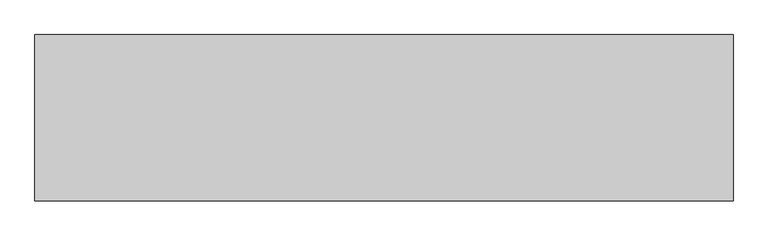
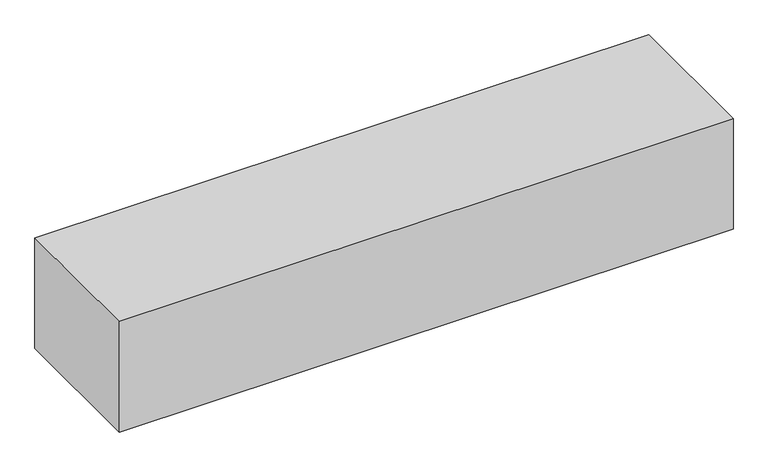
"""IFC4 building model written with IfcOpenShell, lengths in millimetres: geographic element geometry."""

from ifc_helpers import new_model, si_unit, origin, origin_with_axes, place, context, project, spatial, polyline, outline, extrude, source, transform, mapped, element, save


def geographic_element_e046077a(model_context):
    return source(origin(), model_context, "Body", "SweptSolid", [
        extrude(outline(polyline([(0.0, 0.0), (0.0, 500.0), (2100.0, 500.0), (2100.0, 0.0), (0.0, 0.0)])), origin_with_axes(), (0.0, 0.0, 1.0), 400.0),
    ])


if __name__ == "__main__":
    model = new_model("IFC4")
    model_context = context("Model", 3, world=origin())
    ifc_project = project(units=[si_unit("LENGTHUNIT", "METRE", prefix="MILLI")], contexts=[model_context])
    site = spatial("IfcSite", under=ifc_project)
    building = spatial("IfcBuilding", under=site)
    placement = place(None, origin())
    geographic_element_shape = geographic_element_e046077a(model_context)
    element("IfcGeographicElement", 1, at=placement, inside=building, context=model_context, shape_type="MappedRepresentation", body=[
        mapped(geographic_element_shape, transform((0.0, 0.0, 0.0), x_axis=(1.0, 0.0, 0.0), y_axis=(0.0, 1.0, 0.0), z_axis=(0.0, 0.0, 1.0))),
    ])
    save(model, "model.ifc")
